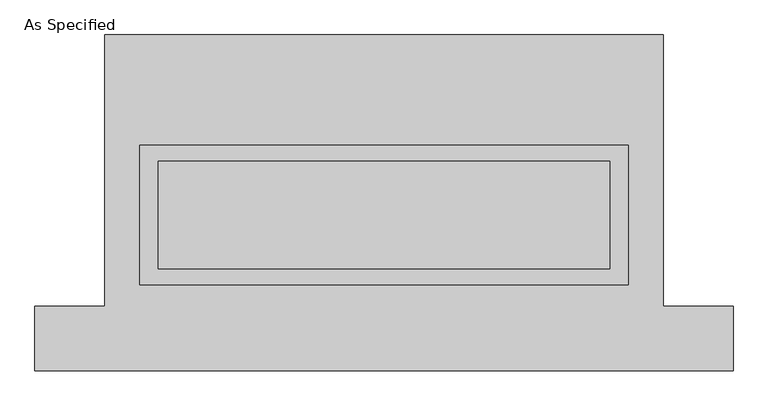
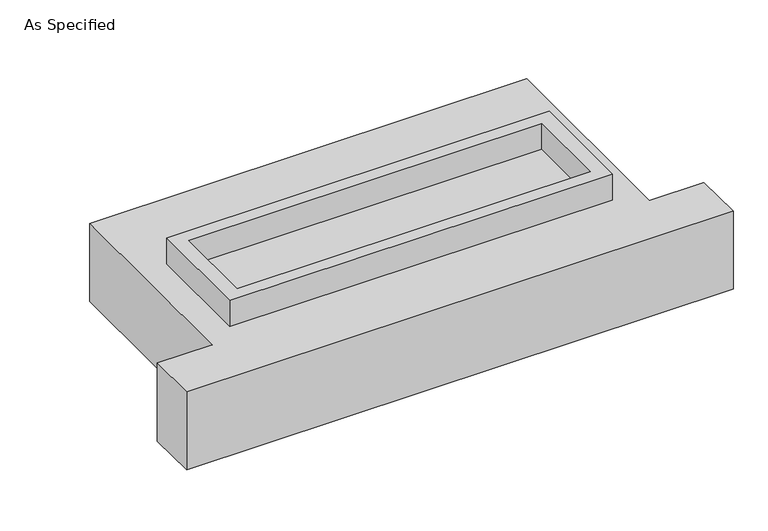
"""IFC4 building model written with IfcOpenShell, lengths in millimetres: proxy geometry, As Specified."""

from ifc_helpers import new_model, si_unit, frame, origin, place, context, project, spatial, polyline, outline, extrude, source, transform, mapped, element, save


def as_specified_a24df6e7(model_context):
    return source(origin(), model_context, "Body", "SweptSolid", [
        extrude(outline(polyline([(1155.7, 273.05), (1155.7, -387.35), (-1155.7, -387.35), (-1155.7, 273.05), (1155.7, 273.05)]), holes=[polyline([(1066.8, 196.85), (-1066.8, 196.85), (-1066.8, -311.15), (1066.8, -311.15), (1066.8, 196.85)])]), frame((0.0, 0.0, -688.975), z_axis=(0.0, 0.0, 1.0), x_axis=(1.0, 0.0, 0.0)), (0.0, 0.0, 1.0), 165.1),
        extrude(outline(polyline([(1155.7, 273.05), (1155.7, -387.35), (-1155.7, -387.35), (-1155.7, 273.05), (1155.7, 273.05)]), holes=[polyline([(1066.8, 196.85), (-1066.8, 196.85), (-1066.8, -311.15), (1066.8, -311.15), (1066.8, 196.85)])]), frame((0.0, 0.0, -25.4), z_axis=(0.0, 0.0, 1.0), x_axis=(1.0, 0.0, 0.0)), (0.0, 0.0, 1.0), 165.1),
        extrude(outline(polyline([(1066.8, 196.85), (1066.8, -311.15), (-1066.8, -311.15), (-1066.8, 196.85), (1066.8, 196.85)])), frame((0.0, 0.0, -523.875), z_axis=(0.0, 0.0, 1.0), x_axis=(1.0, 0.0, 0.0)), (0.0, 0.0, 1.0), 4.9609375),
        extrude(outline(polyline([(1066.8, 196.85), (1066.8, -311.15), (-1066.8, -311.15), (-1066.8, 196.85), (1066.8, 196.85)])), frame((0.0, 0.0, -30.3609375), z_axis=(0.0, 0.0, 1.0), x_axis=(1.0, 0.0, 0.0)), (0.0, 0.0, 1.0), 4.9609375),
        extrude(outline(polyline([(-1320.8, 793.75), (1320.8, 793.75), (1320.8, -488.95), (1651.0, -488.95), (1651.0, -793.75), (-1651.0, -793.75), (-1651.0, -488.95), (-1320.8, -488.95), (-1320.8, 793.75)]), holes=[polyline([(-1155.7, 273.05), (-1155.7, -387.35), (1155.7, -387.35), (1155.7, 273.05), (-1155.7, 273.05)])]), frame((0.0, 0.0, -523.875), z_axis=(0.0, 0.0, 1.0), x_axis=(1.0, 0.0, 0.0)), (0.0, 0.0, 1.0), 498.475),
    ])


if __name__ == "__main__":
    model = new_model("IFC4")
    model_context = context("Model", 3, world=origin())
    ifc_project = project(units=[si_unit("LENGTHUNIT", "METRE", prefix="MILLI")], contexts=[model_context])
    site = spatial("IfcSite", under=ifc_project)
    building = spatial("IfcBuilding", under=site)
    placement = place(None, origin())
    as_specified_shape = as_specified_a24df6e7(model_context)
    element("IfcBuildingElementProxy", 1, Name="As Specified", ObjectType="As Specified", at=placement, inside=building, context=model_context, shape_type="MappedRepresentation", body=[
        mapped(as_specified_shape, transform((0.0, 0.0, 0.0), x_axis=(1.0, 0.0, 0.0), y_axis=(0.0, 1.0, 0.0), z_axis=(0.0, 0.0, 1.0))),
    ])
    save(model, "model.ifc")
